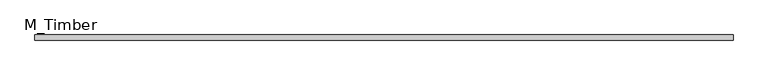
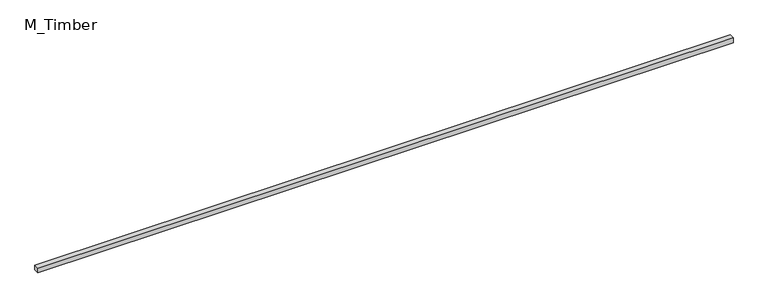
"""IFC4 building model written with IfcOpenShell, lengths in millimetres: beam geometry, M_Timber."""

from ifc_helpers import new_model, si_unit, frame, origin, place, context, project, spatial, polyline, outline, extrude, source, transform, mapped, element, save


def m_timber_c30b52f1(model_context):
    return source(origin(), model_context, "Body", "SweptSolid", [
        extrude(outline(polyline([(4076.4099962, 30.0), (4076.4099962, -30.0), (-4076.4099962, -30.0), (-4076.4099962, 30.0), (4076.4099962, 30.0)])), frame((0.0, 0.0, -30.0), z_axis=(0.0, 0.0, 1.0), x_axis=(1.0, 0.0, 0.0)), (0.0, 0.0, 1.0), 60.0),
    ])


if __name__ == "__main__":
    model = new_model("IFC4")
    model_context = context("Model", 3, world=origin())
    ifc_project = project(units=[si_unit("LENGTHUNIT", "METRE", prefix="MILLI")], contexts=[model_context])
    site = spatial("IfcSite", under=ifc_project)
    building = spatial("IfcBuilding", under=site)
    placement = place(None, origin())
    m_timber_shape = m_timber_c30b52f1(model_context)
    element("IfcBeam", 1, ObjectType="M_Timber", at=placement, inside=building, context=model_context, shape_type="MappedRepresentation", body=[
        mapped(m_timber_shape, transform((0.0, 0.0, 0.0), x_axis=(1.0, 0.0, 0.0), y_axis=(0.0, 1.0, 0.0), z_axis=(0.0, 0.0, 1.0))),
    ])
    save(model, "model.ifc")
